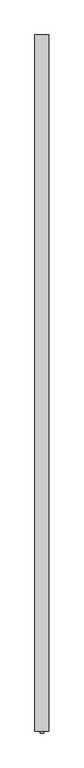
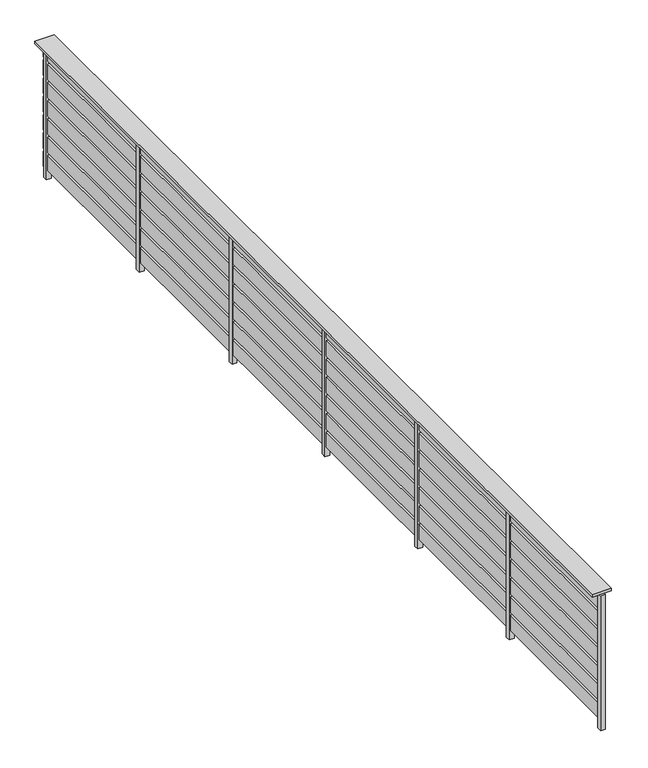
"""IFC4 building model written with IfcOpenShell, lengths in millimetres: railing geometry."""

from ifc_helpers import new_model, si_unit, frame, origin, origin_with_axes, place, context, project, spatial, polyline, outline, extrude, source, transform, mapped, element, save


def railing_19d3510f(model_context):
    return source(origin(), model_context, "Body", "SweptSolid", [
        extrude(outline(polyline([(-15529.3378421, -25768.5136765), (-15649.3378421, -25768.5136765), (-15649.3378421, -19768.5136765), (-15529.3378421, -19768.5136765), (-15529.3378421, -25768.5136765)])), frame((0.0, 0.0, 884.8828423), z_axis=(0.0, 0.0, 1.0), x_axis=(1.0, 0.0, 0.0)), (0.0, 0.0, 1.0), 15.1171577),
        extrude(outline(polyline([(-15581.8378421, -25768.5136765), (-15596.8378421, -25768.5136765), (-15596.8378421, -19768.5136765), (-15581.8378421, -19768.5136765), (-15581.8378421, -25768.5136765)])), frame((0.0, 0.0, 780.0), z_axis=(0.0, 0.0, 1.0), x_axis=(1.0, 0.0, 0.0)), (0.0, 0.0, 1.0), 100.0),
        extrude(outline(polyline([(-15581.8378421, -25768.5136765), (-15596.8378421, -25768.5136765), (-15596.8378421, -19768.5136765), (-15581.8378421, -19768.5136765), (-15581.8378421, -25768.5136765)])), frame((0.0, 0.0, 660.0), z_axis=(0.0, 0.0, 1.0), x_axis=(1.0, 0.0, 0.0)), (0.0, 0.0, 1.0), 100.0),
        extrude(outline(polyline([(-15581.8378421, -25768.5136765), (-15596.8378421, -25768.5136765), (-15596.8378421, -19768.5136765), (-15581.8378421, -19768.5136765), (-15581.8378421, -25768.5136765)])), frame((0.0, 0.0, 540.0), z_axis=(0.0, 0.0, 1.0), x_axis=(1.0, 0.0, 0.0)), (0.0, 0.0, 1.0), 100.0),
        extrude(outline(polyline([(-15581.8378421, -25768.5136765), (-15596.8378421, -25768.5136765), (-15596.8378421, -19768.5136765), (-15581.8378421, -19768.5136765), (-15581.8378421, -25768.5136765)])), frame((0.0, 0.0, 420.0), z_axis=(0.0, 0.0, 1.0), x_axis=(1.0, 0.0, 0.0)), (0.0, 0.0, 1.0), 100.0),
        extrude(outline(polyline([(-15581.8378421, -25768.5136765), (-15596.8378421, -25768.5136765), (-15596.8378421, -19768.5136765), (-15581.8378421, -19768.5136765), (-15581.8378421, -25768.5136765)])), frame((0.0, 0.0, 300.0), z_axis=(0.0, 0.0, 1.0), x_axis=(1.0, 0.0, 0.0)), (0.0, 0.0, 1.0), 100.0),
        extrude(outline(polyline([(-15581.8378421, -25768.5136765), (-15596.8378421, -25768.5136765), (-15596.8378421, -19768.5136765), (-15581.8378421, -19768.5136765), (-15581.8378421, -25768.5136765)])), frame((0.0, 0.0, 180.0), z_axis=(0.0, 0.0, 1.0), x_axis=(1.0, 0.0, 0.0)), (0.0, 0.0, 1.0), 100.0),
        extrude(outline(polyline([(-15581.8378421, -25768.5136765), (-15596.8378421, -25768.5136765), (-15596.8378421, -19768.5136765), (-15581.8378421, -19768.5136765), (-15581.8378421, -25768.5136765)])), frame((0.0, 0.0, 60.0), z_axis=(0.0, 0.0, 1.0), x_axis=(1.0, 0.0, 0.0)), (0.0, 0.0, 1.0), 100.0),
        extrude(outline(polyline([(-15574.3378421, -19813.5136765), (-15604.3378421, -19813.5136765), (-15604.3378421, -19783.5136765), (-15574.3378421, -19783.5136765), (-15574.3378421, -19813.5136765)])), origin_with_axes(), (0.0, 0.0, 1.0), 884.8828423),
        extrude(outline(polyline([(-15574.3378421, -20813.5136765), (-15604.3378421, -20813.5136765), (-15604.3378421, -20783.5136765), (-15574.3378421, -20783.5136765), (-15574.3378421, -20813.5136765)])), origin_with_axes(), (0.0, 0.0, 1.0), 884.8828423),
        extrude(outline(polyline([(-15574.3378421, -21813.5136765), (-15604.3378421, -21813.5136765), (-15604.3378421, -21783.5136765), (-15574.3378421, -21783.5136765), (-15574.3378421, -21813.5136765)])), origin_with_axes(), (0.0, 0.0, 1.0), 884.8828423),
        extrude(outline(polyline([(-15574.3378421, -22813.5136765), (-15604.3378421, -22813.5136765), (-15604.3378421, -22783.5136765), (-15574.3378421, -22783.5136765), (-15574.3378421, -22813.5136765)])), origin_with_axes(), (0.0, 0.0, 1.0), 884.8828423),
        extrude(outline(polyline([(-15574.3378421, -23813.5136765), (-15604.3378421, -23813.5136765), (-15604.3378421, -23783.5136765), (-15574.3378421, -23783.5136765), (-15574.3378421, -23813.5136765)])), origin_with_axes(), (0.0, 0.0, 1.0), 884.8828423),
        extrude(outline(polyline([(-15574.3378421, -24798.5136765), (-15604.3378421, -24798.5136765), (-15604.3378421, -24768.5136765), (-15574.3378421, -24768.5136765), (-15574.3378421, -24798.5136765)])), origin_with_axes(), (0.0, 0.0, 1.0), 884.8828423),
        extrude(outline(polyline([(-15574.3378421, -25783.5136765), (-15604.3378421, -25783.5136765), (-15604.3378421, -25753.5136765), (-15574.3378421, -25753.5136765), (-15574.3378421, -25783.5136765)])), origin_with_axes(), (0.0, 0.0, 1.0), 884.8828423),
    ])


if __name__ == "__main__":
    model = new_model("IFC4")
    model_context = context("Model", 3, world=origin())
    ifc_project = project(units=[si_unit("LENGTHUNIT", "METRE", prefix="MILLI")], contexts=[model_context])
    site = spatial("IfcSite", under=ifc_project)
    building = spatial("IfcBuilding", under=site)
    placement = place(None, origin())
    railing_shape = railing_19d3510f(model_context)
    element("IfcRailing", 1, at=placement, inside=building, context=model_context, shape_type="MappedRepresentation", body=[
        mapped(railing_shape, transform((0.0, 0.0, 0.0), x_axis=(1.0, 0.0, 0.0), y_axis=(0.0, 1.0, 0.0), z_axis=(0.0, 0.0, 1.0))),
    ])
    save(model, "model.ifc")
